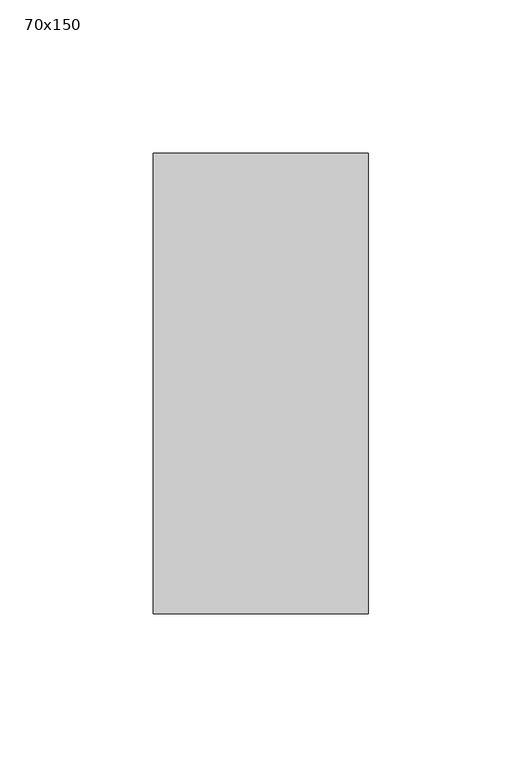
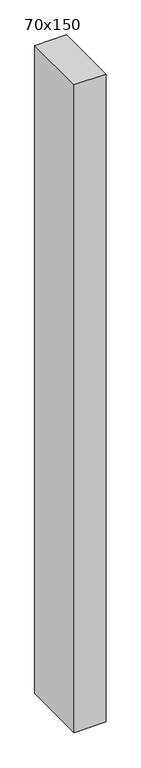
"""IFC4 building model written with IfcOpenShell, lengths in millimetres: member geometry, 70x150."""

from ifc_helpers import new_model, si_unit, frame, origin, place, context, project, spatial, polyline, outline, extrude, source, transform, mapped, element, save


def member_70x150_f8cbd96f(model_context):
    return source(origin(), model_context, "Body", "SweptSolid", [
        extrude(outline(polyline([(35.0, 75.0), (35.0, -75.0), (-35.0, -75.0), (-35.0, 75.0), (35.0, 75.0)])), frame((0.0, 0.0, -1500.0), z_axis=(0.0, 0.0, 1.0), x_axis=(1.0, 0.0, 0.0)), (0.0, 0.0, 1.0), 1500.0),
    ])


if __name__ == "__main__":
    model = new_model("IFC4")
    model_context = context("Model", 3, world=origin())
    ifc_project = project(units=[si_unit("LENGTHUNIT", "METRE", prefix="MILLI")], contexts=[model_context])
    site = spatial("IfcSite", under=ifc_project)
    building = spatial("IfcBuilding", under=site)
    placement = place(None, origin())
    member_70x150_shape = member_70x150_f8cbd96f(model_context)
    element("IfcMember", 1, ObjectType="70x150", at=placement, inside=building, context=model_context, shape_type="MappedRepresentation", body=[
        mapped(member_70x150_shape, transform((0.0, 0.0, 0.0), x_axis=(1.0, 0.0, 0.0), y_axis=(0.0, 1.0, 0.0), z_axis=(0.0, 0.0, 1.0))),
    ])
    save(model, "model.ifc")
